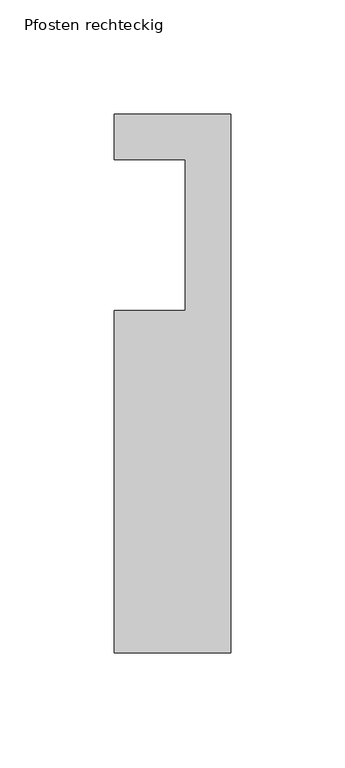
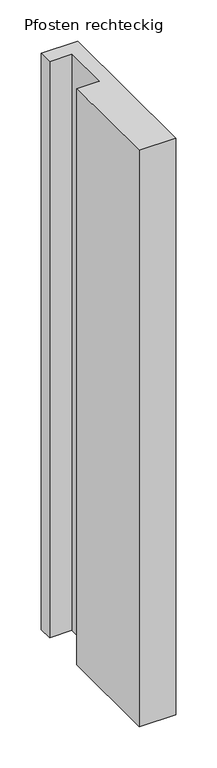
"""IFC4 building model written with IfcOpenShell, lengths in millimetres: member geometry, Pfosten rechteckig."""

from ifc_helpers import new_model, si_unit, frame, origin, place, context, project, spatial, polyline, outline, extrude, source, transform, mapped, element, save


def pfosten_rechteckig_89fe9622(model_context):
    return source(origin(), model_context, "Body", "SweptSolid", [
        extrude(outline(polyline([(0.0, 20.0), (0.0, -216.0), (-51.0, -216.0), (-51.0, -66.0), (-20.0, -66.0), (-20.0, 0.0), (-51.0, 0.0), (-51.0, 20.0), (0.0, 20.0)])), frame((0.0, 0.0, -850.0), z_axis=(0.0, 0.0, 1.0), x_axis=(1.0, 0.0, 0.0)), (0.0, 0.0, 1.0), 850.0),
    ])


if __name__ == "__main__":
    model = new_model("IFC4")
    model_context = context("Model", 3, world=origin())
    ifc_project = project(units=[si_unit("LENGTHUNIT", "METRE", prefix="MILLI")], contexts=[model_context])
    site = spatial("IfcSite", under=ifc_project)
    building = spatial("IfcBuilding", under=site)
    placement = place(None, origin())
    pfosten_rechteckig_shape = pfosten_rechteckig_89fe9622(model_context)
    element("IfcMember", 1, ObjectType="Pfosten rechteckig", at=placement, inside=building, context=model_context, shape_type="MappedRepresentation", body=[
        mapped(pfosten_rechteckig_shape, transform((0.0, 0.0, 0.0), x_axis=(1.0, 0.0, 0.0), y_axis=(0.0, 1.0, 0.0), z_axis=(0.0, 0.0, 1.0))),
    ])
    save(model, "model.ifc")
